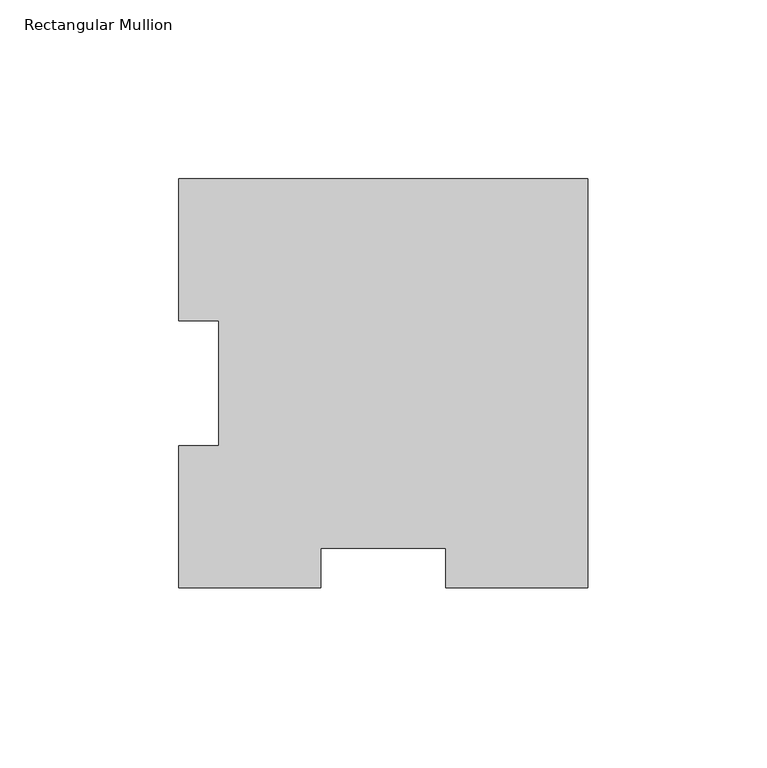
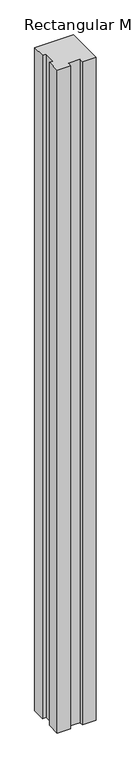
"""IFC4 building model written with IfcOpenShell, lengths in millimetres: member geometry, Rectangular Mullion."""

from ifc_helpers import new_model, si_unit, frame, origin, place, context, project, spatial, polyline, outline, extrude, source, transform, mapped, element, save


def rectangular_mullion_9176c10d(model_context):
    return source(origin(), model_context, "Body", "SweptSolid", [
        extrude(outline(polyline([(-114.3, 114.271425), (0.0, 114.271425), (0.0, -0.028575), (-39.6748, -0.028575), (-39.6748, 11.083925), (-74.6252, 11.083925), (-74.6252, -0.028575), (-114.3, -0.028575), (-114.3, 39.646225), (-103.1875, 39.646225), (-103.1875, 74.596625), (-114.3, 74.596625), (-114.3, 114.271425)])), frame((0.0, 0.0, -2063.7499762), z_axis=(0.0, 0.0, 1.0), x_axis=(1.0, 0.0, 0.0)), (0.0, 0.0, 1.0), 2063.7499762),
    ])


if __name__ == "__main__":
    model = new_model("IFC4")
    model_context = context("Model", 3, world=origin())
    ifc_project = project(units=[si_unit("LENGTHUNIT", "METRE", prefix="MILLI")], contexts=[model_context])
    site = spatial("IfcSite", under=ifc_project)
    building = spatial("IfcBuilding", under=site)
    placement = place(None, origin())
    rectangular_mullion_shape = rectangular_mullion_9176c10d(model_context)
    element("IfcMember", 1, ObjectType="Rectangular Mullion", at=placement, inside=building, context=model_context, shape_type="MappedRepresentation", body=[
        mapped(rectangular_mullion_shape, transform((0.0, 0.0, 0.0), x_axis=(1.0, 0.0, 0.0), y_axis=(0.0, 1.0, 0.0), z_axis=(0.0, 0.0, 1.0))),
    ])
    save(model, "model.ifc")
